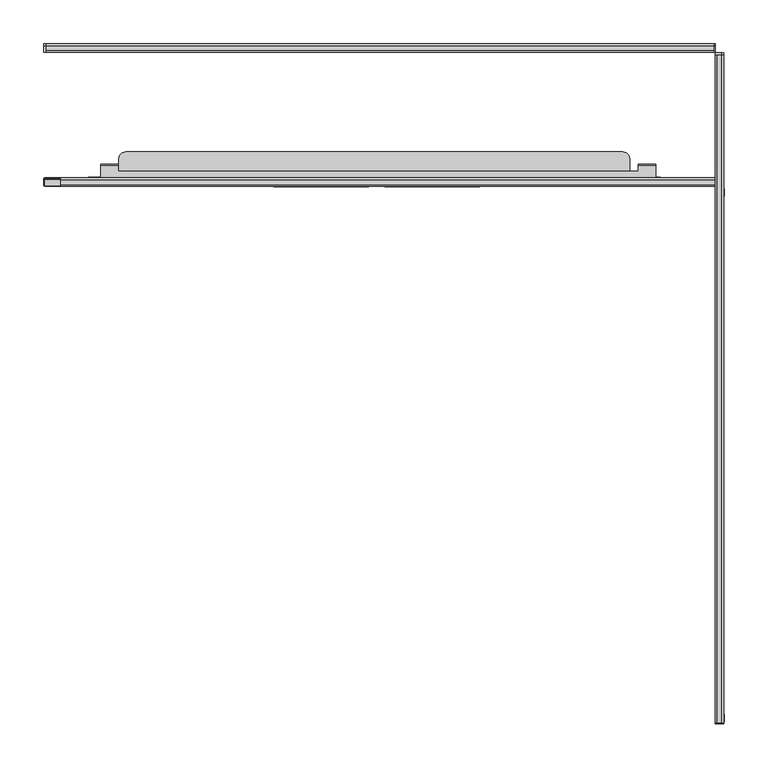
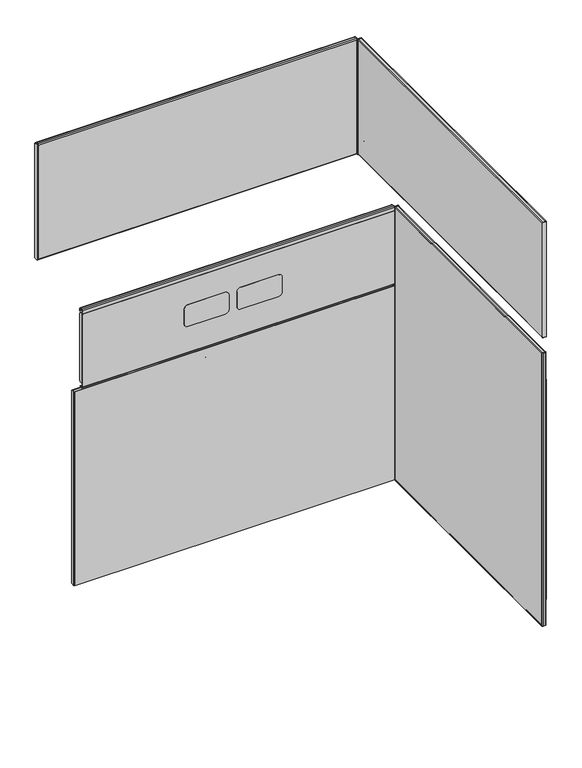
"""IFC4 building model written with IfcOpenShell, lengths in millimetres: furniture geometry."""

from ifc_helpers import new_model, si_unit, point, frame, frame_2d, origin, place, context, project, spatial, polyline, circle_curve, trimmed, segment, composite_curve, outline, extrude, source, transform, mapped, element, save


def furniture_4eaa3dd6(model_context):
    return source(origin(), model_context, "Body", "SweptSolid", [
        extrude(outline(composite_curve([segment(polyline([(133.2092643, 967.8599636), (139.2531609, 967.8599636), (139.2531609, 775.360013), (132.3580679, 775.360013)]), True, "CONTINUOUS"), segment(trimmed(circle_curve(frame_2d((132.3580679, 776.979404)), 1.619391), [point((132.3580679, 775.360013))], [point((130.7386768, 776.979404))], False, "CARTESIAN"), True, "CONTINUOUS"), segment(polyline([(130.7386768, 776.979404), (130.7386768, 780.4815027), (136.3276525, 780.4815027), (136.3276525, 831.0274727), (130.7386768, 831.0274727), (130.7386768, 965.3893761)]), True, "CONTINUOUS"), segment(trimmed(circle_curve(frame_2d((133.2092643, 965.3893761)), 2.4705875), [point((130.7386768, 965.3893761))], [point((133.2092643, 967.8599636))], False, "CARTESIAN"), True, "CONTINUOUS")], self_intersect=False)), frame((773.5709739, 0.0, 0.0), z_axis=(1.0, 0.0, 0.0), x_axis=(0.0, 1.0, 0.0)), (0.0, 0.0, 1.0), 1.1864101),
        extrude(outline(composite_curve([segment(trimmed(circle_curve(frame_2d((-612.8861722, 965.3893761)), 2.4705875), [point((-612.8861722, 967.8599636))], [point((-610.4155847, 965.3893761))], False, "CARTESIAN"), True, "CONTINUOUS"), segment(polyline([(-610.4155847, 965.3893761), (-610.4155847, 831.0274727), (-616.0045604, 831.0274727), (-616.0045604, 780.4815027), (-610.4155847, 780.4815027), (-610.4155847, 776.979404)]), True, "CONTINUOUS"), segment(trimmed(circle_curve(frame_2d((-612.0349757, 776.979404)), 1.619391), [point((-610.4155847, 776.979404))], [point((-612.0349757, 775.360013))], False, "CARTESIAN"), True, "CONTINUOUS"), segment(polyline([(-612.0349757, 775.360013), (-620.9428651, 775.360013), (-620.9428651, 967.8599636), (-612.8861722, 967.8599636)]), True, "CONTINUOUS")], self_intersect=False)), frame((773.5709739, 0.0, 0.0), z_axis=(1.0, 0.0, 0.0), x_axis=(0.0, 1.0, 0.0)), (0.0, 0.0, 1.0), 1.1864101),
        extrude(outline(composite_curve([segment(polyline([(1030.8757829, 765.3136291), (885.4110974, 765.3136291), (740.6377574, 765.3136291), (740.6377574, 773.3354186)]), True, "CONTINUOUS"), segment(trimmed(circle_curve(frame_2d((742.1409679, 773.3354186)), 1.5032105), [point((740.6377574, 773.3354186))], [point((742.1409679, 774.8386291))], False, "CARTESIAN"), True, "CONTINUOUS"), segment(polyline([(742.1409679, 774.8386291), (1029.0188428, 774.8386291)]), True, "CONTINUOUS"), segment(trimmed(circle_curve(frame_2d((1029.0188428, 772.981689)), 1.8569401), [point((1029.0188428, 774.8386291))], [point((1030.8757829, 772.981689))], False, "CARTESIAN"), True, "CONTINUOUS"), segment(polyline([(1030.8757829, 772.981689), (1030.8757829, 765.3136291)]), True, "CONTINUOUS")], self_intersect=False)), frame((0.0, -621.9020109, 0.0), z_axis=(0.0, 1.0, 0.0), x_axis=(0.0, 0.0, 1.0)), (0.0, 0.0, 1.0), 0.9591459),
        extrude(outline(composite_curve([segment(polyline([(1030.9790033, 765.3136291), (885.5143179, 765.3136291), (740.7409779, 765.3136291), (740.7409779, 773.3354186)]), True, "CONTINUOUS"), segment(trimmed(circle_curve(frame_2d((742.2441883, 773.3354186)), 1.5032105), [point((740.7409779, 773.3354186))], [point((742.2441883, 774.8386291))], False, "CARTESIAN"), True, "CONTINUOUS"), segment(polyline([(742.2441883, 774.8386291), (1029.1220632, 774.8386291)]), True, "CONTINUOUS"), segment(trimmed(circle_curve(frame_2d((1029.1220632, 772.981689)), 1.8569401), [point((1029.1220632, 774.8386291))], [point((1030.9790033, 772.981689))], False, "CARTESIAN"), True, "CONTINUOUS"), segment(polyline([(1030.9790033, 772.981689), (1030.9790033, 765.3136291)]), True, "CONTINUOUS")], self_intersect=False)), frame((0.0, 139.6057955, 0.0), z_axis=(0.0, 1.0, 0.0), x_axis=(0.0, 0.0, 1.0)), (0.0, 0.0, 1.0), 2.1819162),
        extrude(outline(composite_curve([segment(trimmed(circle_curve(frame_2d((1029.1391548, 772.6177718)), 2.2208573), [point((1029.1391548, 774.8386291))], [point((1031.3600121, 772.6177718))], False, "CARTESIAN"), True, "CONTINUOUS"), segment(polyline([(1031.3600121, 772.6177718), (1031.3600121, 767.5580868)]), True, "CONTINUOUS"), segment(trimmed(circle_curve(frame_2d((1029.1155544, 767.5580868)), 2.2444577), [point((1031.3600121, 767.5580868))], [point((1029.1155544, 765.3136291))], False, "CARTESIAN"), True, "CONTINUOUS"), segment(polyline([(1029.1155544, 765.3136291), (742.5951433, 765.3136291)]), True, "CONTINUOUS"), segment(trimmed(circle_curve(frame_2d((742.5951433, 767.5488032)), 2.2351742), [point((742.5951433, 765.3136291))], [point((740.3599691, 767.5488032))], False, "CARTESIAN"), True, "CONTINUOUS"), segment(polyline([(740.3599691, 767.5488032), (740.3599691, 772.7491611)]), True, "CONTINUOUS"), segment(trimmed(circle_curve(frame_2d((742.4494371, 772.7491611)), 2.089468), [point((740.3599691, 772.7491611))], [point((742.4494371, 774.8386291))], False, "CARTESIAN"), True, "CONTINUOUS"), segment(polyline([(742.4494371, 774.8386291), (752.3599634, 774.8386291), (752.3599634, 773.9267661), (742.6643792, 773.9267661)]), True, "CONTINUOUS"), segment(trimmed(circle_curve(frame_2d((742.6643792, 772.534219)), 1.3925471), [point((742.6643792, 773.9267661))], [point((741.2718321, 772.534219))], True, "CARTESIAN"), True, "CONTINUOUS"), segment(polyline([(741.2718321, 772.534219), (741.2718321, 767.4402022)]), True, "CONTINUOUS"), segment(trimmed(circle_curve(frame_2d((742.4865423, 767.4402022)), 1.2147102), [point((741.2718321, 767.4402022))], [point((742.4865423, 766.225492))], True, "CARTESIAN"), True, "CONTINUOUS"), segment(polyline([(742.4865423, 766.225492), (1029.079954, 766.225492)]), True, "CONTINUOUS"), segment(trimmed(circle_curve(frame_2d((1029.079954, 767.5936871)), 1.3681951), [point((1029.079954, 766.225492))], [point((1030.4481491, 767.5936871))], True, "CARTESIAN"), True, "CONTINUOUS"), segment(polyline([(1030.4481491, 767.5936871), (1030.4481491, 772.4192443)]), True, "CONTINUOUS"), segment(trimmed(circle_curve(frame_2d((1028.9406273, 772.4192443)), 1.5075218), [point((1030.4481491, 772.4192443))], [point((1028.9406273, 773.9267661))], True, "CARTESIAN"), True, "CONTINUOUS"), segment(polyline([(1028.9406273, 773.9267661), (1023.3599916, 773.9267661), (1023.3599916, 774.8386291), (1029.1391548, 774.8386291)]), True, "CONTINUOUS")], self_intersect=False)), frame((0.0, -621.5123077, 0.0), z_axis=(0.0, 1.0, 0.0), x_axis=(0.0, 0.0, 1.0)), (0.0, 0.0, 1.0), 760.7654686),
        extrude(outline(composite_curve([segment(polyline([(967.8599636, 10.0066306), (967.8599636, 3.962734), (775.360013, 3.962734), (775.360013, 10.857827)]), True, "CONTINUOUS"), segment(trimmed(circle_curve(frame_2d((776.979404, 10.857827)), 1.619391), [point((775.360013, 10.857827))], [point((776.979404, 12.4772181))], False, "CARTESIAN"), True, "CONTINUOUS"), segment(polyline([(776.979404, 12.4772181), (780.4815027, 12.4772181), (780.4815027, 6.8882423), (831.0274727, 6.8882423), (831.0274727, 12.4772181), (965.3893761, 12.4772181)]), True, "CONTINUOUS"), segment(trimmed(circle_curve(frame_2d((965.3893761, 10.0066306)), 2.4705875), [point((965.3893761, 12.4772181))], [point((967.8599636, 10.0066306))], False, "CARTESIAN"), True, "CONTINUOUS")], self_intersect=False)), frame((0.0, 150.5973484, 0.0), z_axis=(0.0, 1.0, 0.0), x_axis=(0.0, 0.0, 1.0)), (0.0, 0.0, 1.0), 1.1864101),
        extrude(outline(composite_curve([segment(trimmed(circle_curve(frame_2d((965.3893761, 756.1020671)), 2.4705875), [point((967.8599636, 756.1020671))], [point((965.3893761, 753.6314796))], False, "CARTESIAN"), True, "CONTINUOUS"), segment(polyline([(965.3893761, 753.6314796), (831.0274727, 753.6314796), (831.0274727, 759.2204553), (780.4815027, 759.2204553), (780.4815027, 753.6314796), (776.979404, 753.6314796)]), True, "CONTINUOUS"), segment(trimmed(circle_curve(frame_2d((776.979404, 755.2508706)), 1.619391), [point((776.979404, 753.6314796))], [point((775.360013, 755.2508706))], False, "CARTESIAN"), True, "CONTINUOUS"), segment(polyline([(775.360013, 755.2508706), (775.360013, 764.1587599), (967.8599636, 764.1587599), (967.8599636, 756.1020671)]), True, "CONTINUOUS")], self_intersect=False)), frame((0.0, 150.5973484, 0.0), z_axis=(0.0, 1.0, 0.0), x_axis=(0.0, 0.0, 1.0)), (0.0, 0.0, 1.0), 1.1864101),
        extrude(outline(composite_curve([segment(polyline([(142.3400036, 1030.8757829), (150.0080635, 1030.8757829)]), True, "CONTINUOUS"), segment(trimmed(circle_curve(frame_2d((150.0080635, 1029.0188428)), 1.8569401), [point((150.0080635, 1030.8757829))], [point((151.8650036, 1029.0188428))], False, "CARTESIAN"), True, "CONTINUOUS"), segment(polyline([(151.8650036, 1029.0188428), (151.8650036, 742.1409679)]), True, "CONTINUOUS"), segment(trimmed(circle_curve(frame_2d((150.3617931, 742.1409679)), 1.5032105), [point((151.8650036, 742.1409679))], [point((150.3617931, 740.6377574))], False, "CARTESIAN"), True, "CONTINUOUS"), segment(polyline([(150.3617931, 740.6377574), (142.3400036, 740.6377574), (142.3400036, 885.4110974), (142.3400036, 1030.8757829)]), True, "CONTINUOUS")], self_intersect=False)), frame((764.1587599, 0.0, 0.0), z_axis=(1.0, 0.0, 0.0), x_axis=(0.0, 1.0, 0.0)), (0.0, 0.0, 1.0), 0.9591459),
        extrude(outline(composite_curve([segment(polyline([(142.3400036, 1030.9790033), (150.0080635, 1030.9790033)]), True, "CONTINUOUS"), segment(trimmed(circle_curve(frame_2d((150.0080635, 1029.1220632)), 1.8569401), [point((150.0080635, 1030.9790033))], [point((151.8650036, 1029.1220632))], False, "CARTESIAN"), True, "CONTINUOUS"), segment(polyline([(151.8650036, 1029.1220632), (151.8650036, 742.2441883)]), True, "CONTINUOUS"), segment(trimmed(circle_curve(frame_2d((150.3617931, 742.2441883)), 1.5032105), [point((151.8650036, 742.2441883))], [point((150.3617931, 740.7409779))], False, "CARTESIAN"), True, "CONTINUOUS"), segment(polyline([(150.3617931, 740.7409779), (142.3400036, 740.7409779), (142.3400036, 885.5143179), (142.3400036, 1030.9790033)]), True, "CONTINUOUS")], self_intersect=False)), frame((1.4281832, 0.0, 0.0), z_axis=(1.0, 0.0, 0.0), x_axis=(0.0, 1.0, 0.0)), (0.0, 0.0, 1.0), 2.1819162),
        extrude(outline(composite_curve([segment(polyline([(151.8650036, 1029.1391548), (151.8650036, 1023.3599916), (150.9531406, 1023.3599916), (150.9531406, 1028.9406273)]), True, "CONTINUOUS"), segment(trimmed(circle_curve(frame_2d((149.4456188, 1028.9406273)), 1.5075218), [point((150.9531406, 1028.9406273))], [point((149.4456188, 1030.4481491))], True, "CARTESIAN"), True, "CONTINUOUS"), segment(polyline([(149.4456188, 1030.4481491), (144.6200616, 1030.4481491)]), True, "CONTINUOUS"), segment(trimmed(circle_curve(frame_2d((144.6200616, 1029.079954)), 1.3681951), [point((144.6200616, 1030.4481491))], [point((143.2518665, 1029.079954))], True, "CARTESIAN"), True, "CONTINUOUS"), segment(polyline([(143.2518665, 1029.079954), (143.2518665, 742.4865423)]), True, "CONTINUOUS"), segment(trimmed(circle_curve(frame_2d((144.4665768, 742.4865423)), 1.2147102), [point((143.2518665, 742.4865423))], [point((144.4665768, 741.2718321))], True, "CARTESIAN"), True, "CONTINUOUS"), segment(polyline([(144.4665768, 741.2718321), (149.5605936, 741.2718321)]), True, "CONTINUOUS"), segment(trimmed(circle_curve(frame_2d((149.5605936, 742.6643792)), 1.3925471), [point((149.5605936, 741.2718321))], [point((150.9531406, 742.6643792))], True, "CARTESIAN"), True, "CONTINUOUS"), segment(polyline([(150.9531406, 742.6643792), (150.9531406, 752.3599634), (151.8650036, 752.3599634), (151.8650036, 742.4494371)]), True, "CONTINUOUS"), segment(trimmed(circle_curve(frame_2d((149.7755356, 742.4494371)), 2.089468), [point((151.8650036, 742.4494371))], [point((149.7755356, 740.3599691))], False, "CARTESIAN"), True, "CONTINUOUS"), segment(polyline([(149.7755356, 740.3599691), (144.5751777, 740.3599691)]), True, "CONTINUOUS"), segment(trimmed(circle_curve(frame_2d((144.5751777, 742.5951433)), 2.2351742), [point((144.5751777, 740.3599691))], [point((142.3400036, 742.5951433))], False, "CARTESIAN"), True, "CONTINUOUS"), segment(polyline([(142.3400036, 742.5951433), (142.3400036, 1029.1155544)]), True, "CONTINUOUS"), segment(trimmed(circle_curve(frame_2d((144.5844613, 1029.1155544)), 2.2444577), [point((142.3400036, 1029.1155544))], [point((144.5844613, 1031.3600121))], False, "CARTESIAN"), True, "CONTINUOUS"), segment(polyline([(144.5844613, 1031.3600121), (149.6441463, 1031.3600121)]), True, "CONTINUOUS"), segment(trimmed(circle_curve(frame_2d((149.6441463, 1029.1391548)), 2.2208573), [point((149.6441463, 1031.3600121))], [point((151.8650036, 1029.1391548))], False, "CARTESIAN"), True, "CONTINUOUS")], self_intersect=False)), frame((3.962734, 0.0, 0.0), z_axis=(1.0, 0.0, 0.0), x_axis=(0.0, 1.0, 0.0)), (0.0, 0.0, 1.0), 760.7654686),
        extrude(outline(polyline([(772.0677923, -334.7967882), (772.0677923, -328.9293956), (771.8636149, -328.1673964), (771.3057921, -327.6095634), (770.5437923, -327.4053971), (769.2189924, -327.4053971), (767.7076924, -327.0004436), (766.6013441, -325.8940976), (766.1964402, -324.3829768), (766.1964402, -307.567821), (766.6013441, -306.056682), (767.7076924, -304.9503542), (769.2189924, -304.5454007), (770.5437923, -304.5454007), (771.3057921, -304.3411981), (771.8636149, -303.7833833), (772.0677923, -303.0214022), (772.0677923, -297.1539914), (773.5663922, -297.1539914), (773.5663922, -303.0214022), (773.1614406, -304.5326835), (772.0550923, -305.6390476), (770.5437923, -306.0440011), (769.2189924, -306.0440011), (768.456992, -306.2481674), (767.8991692, -306.8059822), (767.6949921, -307.5679996), (767.6949921, -324.3827981), (767.8991692, -325.1447974), (768.456992, -325.7026122), (769.2189924, -325.9067967), (770.5437923, -325.9067967), (772.0550923, -326.3117502), (773.1614406, -327.4180962), (773.5663922, -328.9293956), (773.5663922, -334.7967882), (772.0677923, -334.7967882)])), frame((0.0, 0.0, 13.6674598), z_axis=(0.0, 0.0, 1.0), x_axis=(1.0, 0.0, 0.0)), (0.0, 0.0, 1.0), 664.8465023),
        extrude(outline(polyline([(766.1964402, -12.8614243), (766.1964402, -619.2935328), (765.2845328, -619.2935328), (765.2845328, -12.8614243), (766.1964402, -12.8614243)])), frame((0.0, 0.0, 12.9809891), z_axis=(0.0, 0.0, 1.0), x_axis=(1.0, 0.0, 0.0)), (0.0, 0.0, 1.0), 688.02099),
        extrude(outline(polyline([(-21.5243766, 632.5021631), (-20.8545047, 635.0021559), (-19.0243838, 636.8322767), (-16.5243911, 637.5021486), (-12.6920218, 637.5021486), (-12.6920218, 76.8619872), (-16.5243911, 76.8619872), (-19.0243838, 77.5318591), (-20.8545047, 79.361989), (-21.5243766, 81.8619909), (-21.5243766, 156.5539797), (-15.9354009, 156.5539797), (-15.9354009, 207.099986), (-21.5243766, 207.099986), (-21.5243766, 632.5021631)])), frame((773.8935319, 0.0, 0.0), z_axis=(1.0, 0.0, 0.0), x_axis=(0.0, 1.0, 0.0)), (0.0, 0.0, 1.0), 1.4468602),
        extrude(outline(polyline([(-610.6800461, 625.9537256), (-610.6800461, 207.099986), (-616.2690218, 207.099986), (-616.2690218, 156.5539797), (-610.6800461, 156.5539797), (-610.6800461, 81.8619909), (-611.349918, 79.361989), (-613.1800388, 77.5318591), (-615.6800316, 76.8619872), (-619.3307018, 76.8619872), (-619.3307018, 630.9537111), (-615.6800316, 630.9537111), (-613.1800388, 630.2838392), (-611.349918, 628.4537184), (-610.6800461, 625.9537256)])), frame((773.8935319, 0.0, 0.0), z_axis=(1.0, 0.0, 0.0), x_axis=(0.0, 1.0, 0.0)), (0.0, 0.0, 1.0), 1.4468602),
        extrude(outline(composite_curve([segment(trimmed(circle_curve(frame_2d((772.6283641, -619.3313744)), 1.269308), [point((772.6283641, -620.6006824))], [point((773.8976721, -619.3313744))], True, "CARTESIAN"), True, "CONTINUOUS"), segment(polyline([(773.8976721, -619.3313744), (774.8074661, -619.3313744)]), True, "CONTINUOUS"), segment(trimmed(circle_curve(frame_2d((772.531361, -619.2343743)), 2.278171), [point((774.8074661, -619.3313744))], [point((772.531361, -621.5125453))], False, "CARTESIAN"), True, "CONTINUOUS"), segment(polyline([(772.531361, -621.5125453), (767.4663763, -621.5125453)]), True, "CONTINUOUS"), segment(trimmed(circle_curve(frame_2d((767.4663763, -619.3307018)), 2.1818436), [point((767.4663763, -621.5125453))], [point((765.2845328, -619.3307018))], False, "CARTESIAN"), True, "CONTINUOUS"), segment(polyline([(765.2845328, -619.3307018), (766.1964402, -619.3307018)]), True, "CONTINUOUS"), segment(trimmed(circle_curve(frame_2d((767.4664208, -619.3307018)), 1.2699806), [point((766.1964402, -619.3307018))], [point((767.4664208, -620.6006824))], True, "CARTESIAN"), True, "CONTINUOUS"), segment(polyline([(767.4664208, -620.6006824), (772.6283641, -620.6006824)]), True, "CONTINUOUS")], self_intersect=False)), frame((0.0, 0.0, 13.511849), z_axis=(0.0, 0.0, 1.0), x_axis=(1.0, 0.0, 0.0)), (0.0, 0.0, 1.0), 687.4450855),
        extrude(outline(composite_curve([segment(polyline([(772.6283641, -11.3257137), (767.4664208, -11.3257137)]), True, "CONTINUOUS"), segment(trimmed(circle_curve(frame_2d((767.4664208, -12.5956944)), 1.2699806), [point((767.4664208, -11.3257137))], [point((766.1964402, -12.5956944))], True, "CARTESIAN"), True, "CONTINUOUS"), segment(polyline([(766.1964402, -12.5956944), (765.2845328, -12.5956944)]), True, "CONTINUOUS"), segment(trimmed(circle_curve(frame_2d((767.4663763, -12.5956944)), 2.1818436), [point((765.2845328, -12.5956944))], [point((767.4663763, -10.4138508))], False, "CARTESIAN"), True, "CONTINUOUS"), segment(polyline([(767.4663763, -10.4138508), (772.531361, -10.4138508)]), True, "CONTINUOUS"), segment(trimmed(circle_curve(frame_2d((772.531361, -12.6920218)), 2.278171), [point((772.531361, -10.4138508))], [point((774.8095321, -12.6920218))], False, "CARTESIAN"), True, "CONTINUOUS"), segment(polyline([(774.8095321, -12.6920218), (773.8939603, -12.6920218)]), True, "CONTINUOUS"), segment(trimmed(circle_curve(frame_2d((772.6283641, -12.5950217)), 1.269308), [point((773.8939603, -12.6920218))], [point((772.6283641, -11.3257137))], True, "CARTESIAN"), True, "CONTINUOUS")], self_intersect=False)), frame((0.0, 0.0, 12.9809891), z_axis=(0.0, 0.0, 1.0), x_axis=(1.0, 0.0, 0.0)), (0.0, 0.0, 1.0), 688.02099),
        extrude(outline(composite_curve([segment(trimmed(circle_curve(frame_2d((14.8267871, 772.3053897)), 2.2267976), [point((12.5999894, 772.3053897))], [point((14.8267871, 774.5321873))], False, "CARTESIAN"), True, "CONTINUOUS"), segment(polyline([(14.8267871, 774.5321873), (25.508949, 774.5321873), (25.508949, 773.6165354), (14.8727802, 773.6165354)]), True, "CONTINUOUS"), segment(trimmed(circle_curve(frame_2d((14.8727802, 772.2556041)), 1.3609312), [point((14.8727802, 773.6165354))], [point((13.511849, 772.2556041))], True, "CARTESIAN"), True, "CONTINUOUS"), segment(polyline([(13.511849, 772.2556041), (13.511849, 767.4774666)]), True, "CONTINUOUS"), segment(trimmed(circle_curve(frame_2d((14.7929233, 767.4774666)), 1.2810743), [point((13.511849, 767.4774666))], [point((14.7818489, 766.1964402))], True, "CARTESIAN"), True, "CONTINUOUS"), segment(polyline([(14.7818489, 766.1964402), (14.7818489, 765.2845328)]), True, "CONTINUOUS"), segment(trimmed(circle_curve(frame_2d((14.7818489, 767.4663922)), 2.1818595), [point((14.7818489, 765.2845328))], [point((12.5999894, 767.4663922))], False, "CARTESIAN"), True, "CONTINUOUS"), segment(polyline([(12.5999894, 767.4663922), (12.5999894, 772.3053897)]), True, "CONTINUOUS")], self_intersect=False)), frame((0.0, -619.2935328, 0.0), z_axis=(0.0, 1.0, 0.0), x_axis=(0.0, 0.0, 1.0)), (0.0, 0.0, 1.0), 606.6363112),
        extrude(outline(composite_curve([segment(polyline([(700.9569345, 772.3448656), (700.9569345, 767.4663922)]), True, "CONTINUOUS"), segment(trimmed(circle_curve(frame_2d((698.775075, 767.4663922)), 2.1818595), [point((700.9569345, 767.4663922))], [point((698.775075, 765.2845328))], False, "CARTESIAN"), True, "CONTINUOUS"), segment(polyline([(698.775075, 765.2845328), (698.775075, 766.1964402)]), True, "CONTINUOUS"), segment(trimmed(circle_curve(frame_2d((698.7640007, 767.4774666)), 1.2810743), [point((698.775075, 766.1964402))], [point((700.045075, 767.4774666))], True, "CARTESIAN"), True, "CONTINUOUS"), segment(polyline([(700.045075, 767.4774666), (700.045075, 772.1597228)]), True, "CONTINUOUS"), segment(trimmed(circle_curve(frame_2d((698.6841437, 772.1597228)), 1.3609312), [point((700.045075, 772.1597228))], [point((698.6841437, 773.5206541))], True, "CARTESIAN"), True, "CONTINUOUS"), segment(polyline([(698.6841437, 773.5206541), (686.0923513, 773.5206541), (686.0923513, 774.5716633), (698.7301369, 774.5716633)]), True, "CONTINUOUS"), segment(trimmed(circle_curve(frame_2d((698.7301369, 772.3448656)), 2.2267976), [point((698.7301369, 774.5716633))], [point((700.9569345, 772.3448656))], False, "CARTESIAN"), True, "CONTINUOUS")], self_intersect=False)), frame((0.0, -619.2935328, 0.0), z_axis=(0.0, 1.0, 0.0), x_axis=(0.0, 0.0, 1.0)), (0.0, 0.0, 1.0), 606.6363112),
        extrude(outline(polyline([(325.7865097, -3.27262), (319.9190989, -3.27262), (319.1570815, -3.47675), (318.5992667, -4.0345648), (318.3951004, -4.7965822), (318.3951004, -6.1214287), (317.9901469, -7.6326736), (316.8837828, -8.7390741), (315.3725015, -9.1439913), (298.5576848, -9.1439913), (297.0464035, -8.7390741), (295.9400393, -7.6326736), (295.5350859, -6.1214287), (295.5350859, -4.7965822), (295.3309196, -4.0345648), (294.7731048, -3.47675), (294.0110873, -3.27262), (288.1436766, -3.27262), (288.1436766, -1.7740196), (294.0110873, -1.7740196), (295.522405, -2.1789368), (296.6287328, -3.2852646), (297.0336863, -4.7965822), (297.0336863, -6.1214287), (297.2378889, -6.8833735), (297.7957037, -7.4411882), (298.5576848, -7.6453909), (315.3725015, -7.6453909), (316.1344826, -7.4411882), (316.6923337, -6.8833735), (316.8965, -6.1214287), (316.8965, -4.7965822), (317.3014535, -3.2852646), (318.4077813, -2.1789368), (319.9190989, -1.7740196), (325.7865097, -1.7740196), (325.7865097, -3.27262)])), frame((0.0, 0.0, 13.511849), z_axis=(0.0, 0.0, 1.0), x_axis=(1.0, 0.0, 0.0)), (0.0, 0.0, 1.0), 465.0000042),
        extrude(outline(polyline([(489.7441255, 51.7950943), (487.2720016, 52.1866402), (485.0418325, 53.3229807), (483.2719914, 55.0927855), (482.1356873, 57.3229546), (481.7441414, 59.7951147), (481.7441414, 694.9072929), (482.1356873, 697.3794258), (483.2719914, 699.6095768), (485.0418325, 701.3794315), (487.2720016, 702.5157448), (489.7441255, 702.9072952), (495.1796585, 702.9072952), (497.1796454, 702.3713949), (498.6437639, 700.9072946), (499.1796687, 698.9072941), (499.1796687, 55.7950682), (498.6437639, 53.7951176), (497.1796454, 52.3309628), (495.1796585, 51.7950943), (489.7441255, 51.7950943)])), frame((0.0, -0.6120993, 0.0), z_axis=(0.0, 1.0, 0.0), x_axis=(0.0, 0.0, 1.0)), (0.0, 0.0, 1.0), 1.0722967),
        extrude(outline(polyline([(667.9072967, 21.4691111), (667.9072967, -0.6120993), (86.7950655, -0.6120993), (86.7950655, 21.4691111), (87.8668751, 25.4691576), (90.795112, 28.3973219), (94.7950859, 29.4691315), (659.9072945, 29.4691315), (663.9072956, 28.3973219), (666.8354962, 25.4691576), (667.9072967, 21.4691111)])), frame((0.0, 0.0, 499.1799957), z_axis=(0.0, 0.0, 1.0), x_axis=(1.0, 0.0, 0.0)), (0.0, 0.0, 1.0), 0.9100099),
        extrude(outline(composite_curve([segment(polyline([(504.7619951, 65.8151097), (487.5601375, 67.9653419)]), True, "CONTINUOUS"), segment(trimmed(circle_curve(frame_2d((487.9563503, 71.1350444)), 3.1943698), [point((487.5601375, 67.9653419))], [point((484.7619804, 71.1350444))], False, "CARTESIAN"), True, "CONTINUOUS"), segment(polyline([(484.7619804, 71.1350444), (484.7619804, 80.496866)]), True, "CONTINUOUS"), segment(trimmed(circle_curve(frame_2d((487.9544204, 80.496866)), 3.19244), [point((484.7619804, 80.496866))], [point((487.558447, 83.6646536))], False, "CARTESIAN"), True, "CONTINUOUS"), segment(polyline([(487.558447, 83.6646536), (504.7619951, 85.8150972), (504.7619951, 65.8151097)]), True, "CONTINUOUS")], self_intersect=False)), frame((0.0, 14.1291521, 0.0), z_axis=(0.0, 1.0, 0.0), x_axis=(0.0, 0.0, 1.0)), (0.0, 0.0, 1.0), 0.7599827),
        extrude(outline(composite_curve([segment(polyline([(504.7619951, 677.9123434), (487.5658966, 680.0618558)]), True, "CONTINUOUS"), segment(trimmed(circle_curve(frame_2d((487.9621094, 683.2315583)), 3.1943698), [point((487.5658966, 680.0618558))], [point((484.7677396, 683.2315583))], False, "CARTESIAN"), True, "CONTINUOUS"), segment(polyline([(484.7677396, 683.2315583), (484.7677396, 692.5933799)]), True, "CONTINUOUS"), segment(trimmed(circle_curve(frame_2d((487.9601796, 692.5933799)), 3.19244), [point((484.7677396, 692.5933799))], [point((487.5642062, 695.7611675))], False, "CARTESIAN"), True, "CONTINUOUS"), segment(polyline([(487.5642062, 695.7611675), (504.7619951, 697.9108911), (504.7619951, 677.9123434)]), True, "CONTINUOUS")], self_intersect=False)), frame((0.0, 14.1291521, 0.0), z_axis=(0.0, 1.0, 0.0), x_axis=(0.0, 0.0, 1.0)), (0.0, 0.0, 1.0), 0.7599827),
        extrude(outline(polyline([(697.8772788, -2.1166051), (65.8150961, -2.1166051), (65.8150961, 14.1291521), (85.8151108, 14.1291521), (85.8151108, 6.8891144), (677.8772823, 6.8891144), (677.8772823, 14.1291521), (697.8772788, 14.1291521), (697.8772788, -2.1166051)])), frame((0.0, 0.0, 504.0020124), z_axis=(0.0, 0.0, 1.0), x_axis=(1.0, 0.0, 0.0)), (0.0, 0.0, 1.0), 0.7599827),
        extrude(outline(composite_curve([segment(polyline([(-0.5308542, 499.1033806), (-0.5308542, 488.0994204), (-1.4427172, 488.0994204), (-1.4427172, 498.7946504)]), True, "CONTINUOUS"), segment(trimmed(circle_curve(frame_2d((-2.7445871, 498.7946504)), 1.30187), [point((-1.4427172, 498.7946504))], [point((-2.7445871, 500.0965204))], True, "CARTESIAN"), True, "CONTINUOUS"), segment(polyline([(-2.7445871, 500.0965204), (-9.1439913, 500.0965204), (-9.1439913, 501.008381), (-2.7126978, 501.008381), (-1.5725376, 500.7028737), (-0.7350569, 499.865381), (-0.5308542, 499.1033806)]), True, "CONTINUOUS")], self_intersect=False)), frame((2.5560213, 0.0, 0.0), z_axis=(1.0, 0.0, 0.0), x_axis=(0.0, 1.0, 0.0)), (0.0, 0.0, 1.0), 761.2181751),
        extrude(outline(composite_curve([segment(polyline([(-0.5308542, 14.5049888), (-0.7350569, 13.7429884), (-1.5725376, 12.9054957), (-2.7126978, 12.5999883), (-9.1439913, 12.5999883), (-9.1439913, 13.511849), (-2.7445871, 13.511849)]), True, "CONTINUOUS"), segment(trimmed(circle_curve(frame_2d((-2.7445871, 14.813719)), 1.30187), [point((-2.7445871, 13.511849))], [point((-1.4427172, 14.813719))], True, "CARTESIAN"), True, "CONTINUOUS"), segment(polyline([(-1.4427172, 14.813719), (-1.4427172, 25.508949), (-0.5308542, 25.508949), (-0.5308542, 14.5049888)]), True, "CONTINUOUS")], self_intersect=False)), frame((2.5560213, 0.0, 0.0), z_axis=(1.0, 0.0, 0.0), x_axis=(0.0, 1.0, 0.0)), (0.0, 0.0, 1.0), 761.2181751),
        extrude(outline(polyline([(431.0001457, 763.7741964), (431.0001457, 758.8161415), (430.3302375, 756.3161487), (428.5001166, 754.4860279), (426.0001239, 753.8161559), (207.099986, 753.8161559), (207.099986, 759.4051317), (156.5539797, 759.4051317), (156.5539797, 753.8161559), (81.8619909, 753.8161559), (79.361989, 754.4860279), (77.5318591, 756.3161487), (76.8619872, 758.8161415), (76.8619872, 763.7741964), (431.0001457, 763.7741964)])), frame((0.0, -1.4427172, 0.0), z_axis=(0.0, 1.0, 0.0), x_axis=(0.0, 0.0, 1.0)), (0.0, 0.0, 1.0), 0.9118629),
        extrude(outline(polyline([(-9.2437672, 501.0102619), (-3.5308891, 501.0102619), (-2.0308353, 500.6083242), (-0.9327919, 499.5102808), (-0.6120993, 498.313496), (-0.6120993, 14.4786019), (-0.8231329, 13.6909192), (-1.621776, 12.8923022), (-2.5727795, 12.6374796), (-9.2437672, 12.6374796), (-9.2437672, 501.0102619)])), frame((763.7741964, 0.0, 0.0), z_axis=(1.0, 0.0, 0.0), x_axis=(0.0, 1.0, 0.0)), (0.0, 0.0, 1.0), 1.0909218),
        extrude(outline(polyline([(431.0001457, 2.5560213), (76.8619872, 2.5560213), (76.8619872, 7.5140762), (77.5318591, 10.014069), (79.361989, 11.8441898), (81.8619909, 12.5140617), (156.5539797, 12.5140617), (156.5539797, 6.925086), (207.099986, 6.925086), (207.099986, 12.5140617), (426.0001239, 12.5140617), (428.5001166, 11.8441898), (430.3302375, 10.014069), (431.0001457, 7.5140762), (431.0001457, 2.5560213)])), frame((0.0, -1.4427172, 0.0), z_axis=(0.0, 1.0, 0.0), x_axis=(0.0, 0.0, 1.0)), (0.0, 0.0, 1.0), 0.9118629),
        extrude(outline(polyline([(2.5560213, -9.2437672), (764.8650822, -9.2437672), (764.8650822, -10.1108654), (2.5560213, -10.1108654), (2.5560213, -9.2437672)])), frame((0.0, 0.0, 12.9847452), z_axis=(0.0, 0.0, 1.0), x_axis=(1.0, 0.0, 0.0)), (0.0, 0.0, 1.0), 488.0255167),
        extrude(outline(polyline([(-9.2437672, 501.0102619), (-3.5308891, 501.0102619), (-2.0308353, 500.6083242), (-0.9327919, 499.5102808), (-0.6120993, 498.313496), (-0.6120993, 14.4786019), (-0.8231329, 13.6909192), (-1.621776, 12.8923022), (-2.5727795, 12.6374796), (-9.2437672, 12.6374796), (-9.2437672, 501.0102619)])), frame((1.4650995, 0.0, 0.0), z_axis=(1.0, 0.0, 0.0), x_axis=(0.0, 1.0, 0.0)), (0.0, 0.0, 1.0), 1.0909218),
        extrude(outline(composite_curve([segment(trimmed(circle_curve(frame_2d((616.50084, 398.9795382)), 9.525), [point((626.02584, 398.9795382))], [point((616.50084, 389.4545382))], False, "CARTESIAN"), True, "CONTINUOUS"), segment(polyline([(616.50084, 389.4545382), (580.68684, 389.4545382)]), True, "CONTINUOUS"), segment(trimmed(circle_curve(frame_2d((580.68684, 398.9795382)), 9.525), [point((580.68684, 389.4545382))], [point((571.16184, 398.9795382))], False, "CARTESIAN"), True, "CONTINUOUS"), segment(polyline([(571.16184, 398.9795382), (571.16184, 487.8795382)]), True, "CONTINUOUS"), segment(trimmed(circle_curve(frame_2d((580.68684, 487.8795382)), 9.525), [point((571.16184, 487.8795382))], [point((580.68684, 497.4045382))], False, "CARTESIAN"), True, "CONTINUOUS"), segment(polyline([(580.68684, 497.4045382), (616.50084, 497.4045382)]), True, "CONTINUOUS"), segment(trimmed(circle_curve(frame_2d((616.50084, 487.8795382)), 9.525), [point((616.50084, 497.4045382))], [point((626.02584, 487.8795382))], False, "CARTESIAN"), True, "CONTINUOUS"), segment(polyline([(626.02584, 487.8795382), (626.02584, 398.9795382)]), True, "CONTINUOUS")], self_intersect=False)), frame((0.0, -10.4195675, 0.0), z_axis=(0.0, 1.0, 0.0), x_axis=(0.0, 0.0, 1.0)), (0.0, 0.0, 1.0), 0.3637133),
        extrude(outline(polyline([(580.6868302, 371.1157559), (616.5008142, 371.1157559), (621.2633142, 369.8396347), (624.7497293, 366.3532559), (626.0258142, 361.5907559), (626.0258142, 272.6907317), (624.7497293, 267.9282317), (621.2633142, 264.441853), (616.5008142, 263.1657317), (580.6868302, 263.1657317), (575.9243302, 264.441853), (572.4379515, 267.9282317), (571.1618302, 272.6907317), (571.1618302, 361.5907559), (572.4379515, 366.3532559), (575.9243302, 369.8396347), (580.6868302, 371.1157559)])), frame((0.0, -10.4195675, 0.0), z_axis=(0.0, 1.0, 0.0), x_axis=(0.0, 0.0, 1.0)), (0.0, 0.0, 1.0), 0.3637133),
        extrude(outline(composite_curve([segment(polyline([(-8.1308264, 504.0020124), (-9.1208822, 504.2672579), (-9.8455473, 504.9919956), (-10.1108654, 505.9819788), (-10.1108654, 690.0219807), (-9.3201026, 690.0219807), (-9.3201026, 506.0635076)]), True, "CONTINUOUS"), segment(trimmed(circle_curve(frame_2d((-8.1377504, 506.0635076)), 1.1823522), [point((-9.3201026, 506.0635076))], [point((-8.1377504, 504.8811554))], True, "CARTESIAN"), True, "CONTINUOUS"), segment(polyline([(-8.1377504, 504.8811554), (-2.110845, 504.8811554), (-2.110845, 504.0020124), (-8.1308264, 504.0020124)]), True, "CONTINUOUS")], self_intersect=False)), frame((20.8150812, 0.0, 0.0), z_axis=(1.0, 0.0, 0.0), x_axis=(0.0, 1.0, 0.0)), (0.0, 0.0, 1.0), 744.050001),
        extrude(outline(polyline([(-9.2437672, 690.0219807), (-3.5308891, 690.0219807), (-2.0308353, 689.620043), (-0.9327919, 688.5219995), (-0.5308542, 687.0220184), (-0.5308542, 517.9820094), (-0.9327919, 516.481992), (-2.0308353, 515.3839122), (-3.5308891, 514.9820108), (-9.2437672, 514.9820108), (-9.2437672, 690.0219807)])), frame((764.1163195, 0.0, 0.0), z_axis=(1.0, 0.0, 0.0), x_axis=(0.0, 1.0, 0.0)), (0.0, 0.0, 1.0), 0.7498089),
        extrude(outline(polyline([(-9.2437672, 690.0219807), (-3.5308891, 690.0219807), (-2.0308353, 689.620043), (-0.9327919, 688.5219995), (-0.5308542, 687.0220184), (-0.5308542, 517.9820094), (-0.9327919, 516.481992), (-2.0308353, 515.3839122), (-3.5308891, 514.9820108), (-9.2437672, 514.9820108), (-9.2437672, 690.0219807)])), frame((20.825255, 0.0, 0.0), z_axis=(1.0, 0.0, 0.0), x_axis=(0.0, 1.0, 0.0)), (0.0, 0.0, 1.0), 0.7498089),
        extrude(outline(composite_curve([segment(polyline([(-9.3012733, 690.0219807), (-10.1108654, 690.0219807), (-10.1108654, 698.9297183)]), True, "CONTINUOUS"), segment(trimmed(circle_curve(frame_2d((-8.0386047, 698.9297183)), 2.0722607), [point((-10.1108654, 698.9297183))], [point((-8.0386047, 701.0019791))], False, "CARTESIAN"), True, "CONTINUOUS"), segment(polyline([(-8.0386047, 701.0019791), (-2.6137692, 701.0019791)]), True, "CONTINUOUS"), segment(trimmed(circle_curve(frame_2d((-2.6137692, 698.8758512)), 2.1261278), [point((-2.6137692, 701.0019791))], [point((-0.4876413, 698.8758512))], False, "CARTESIAN"), True, "CONTINUOUS"), segment(polyline([(-0.4876413, 698.8758512), (-0.4876413, 693.0020313), (-1.2908369, 693.0020313), (-1.2908369, 698.996959)]), True, "CONTINUOUS"), segment(trimmed(circle_curve(frame_2d((-2.5358743, 698.996959)), 1.2450374), [point((-1.2908369, 698.996959))], [point((-2.5358743, 700.2419964))], True, "CARTESIAN"), True, "CONTINUOUS"), segment(polyline([(-2.5358743, 700.2419964), (-8.0836817, 700.2419964)]), True, "CONTINUOUS"), segment(trimmed(circle_curve(frame_2d((-8.0836817, 699.0244048)), 1.2175916), [point((-8.0836817, 700.2419964))], [point((-9.3012733, 699.0244048))], True, "CARTESIAN"), True, "CONTINUOUS"), segment(polyline([(-9.3012733, 699.0244048), (-9.3012733, 690.0219807)]), True, "CONTINUOUS")], self_intersect=False)), frame((20.8150812, 0.0, 0.0), z_axis=(1.0, 0.0, 0.0), x_axis=(0.0, 1.0, 0.0)), (0.0, 0.0, 1.0), 744.050001),
    ])


if __name__ == "__main__":
    model = new_model("IFC4")
    model_context = context("Model", 3, world=origin())
    ifc_project = project(units=[si_unit("LENGTHUNIT", "METRE", prefix="MILLI")], contexts=[model_context])
    site = spatial("IfcSite", under=ifc_project)
    building = spatial("IfcBuilding", under=site)
    placement = place(None, origin())
    furniture_shape = furniture_4eaa3dd6(model_context)
    element("IfcFurniture", 1, at=placement, inside=building, context=model_context, shape_type="MappedRepresentation", body=[
        mapped(furniture_shape, transform((0.0, 0.0, 0.0), x_axis=(1.0, 0.0, 0.0), y_axis=(0.0, 1.0, 0.0), z_axis=(0.0, 0.0, 1.0))),
    ])
    save(model, "model.ifc")
